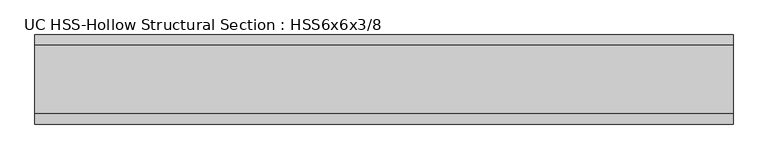
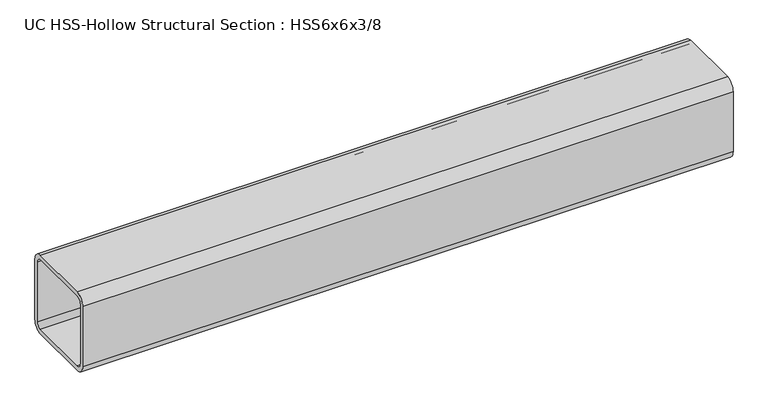
"""IFC4 building model written with IfcOpenShell, lengths in millimetres: beam geometry, UC HSS-Hollow Structural Section : HSS6x6x3/8."""

from ifc_helpers import new_model, si_unit, point, frame, frame_2d, origin, place, context, project, spatial, polyline, circle_curve, trimmed, segment, composite_curve, outline, extrude, source, transform, mapped, element, save


def uc_hss_hollow_structural_section_hss6x6x3_8_4a76fc14(model_context):
    return source(origin(), model_context, "Body", "SweptSolid", [
        extrude(outline(composite_curve([segment(trimmed(circle_curve(frame_2d((-58.4708, 58.4708)), 17.7292), [point((-76.2, 58.4708))], [point((-58.4708, 76.2))], False, "CARTESIAN"), True, "CONTINUOUS"), segment(polyline([(-58.4708, 76.2), (58.4708, 76.2)]), True, "CONTINUOUS"), segment(trimmed(circle_curve(frame_2d((58.4708, 58.4708)), 17.7292), [point((58.4708, 76.2))], [point((76.2, 58.4708))], False, "CARTESIAN"), True, "CONTINUOUS"), segment(polyline([(76.2, 58.4708), (76.2, -58.4708)]), True, "CONTINUOUS"), segment(trimmed(circle_curve(frame_2d((58.4708, -58.4708)), 17.7292), [point((76.2, -58.4708))], [point((58.4708, -76.2))], False, "CARTESIAN"), True, "CONTINUOUS"), segment(polyline([(58.4708, -76.2), (-58.4708, -76.2)]), True, "CONTINUOUS"), segment(trimmed(circle_curve(frame_2d((-58.4708, -58.4708)), 17.7292), [point((-58.4708, -76.2))], [point((-76.2, -58.4708))], False, "CARTESIAN"), True, "CONTINUOUS"), segment(polyline([(-76.2, -58.4708), (-76.2, 58.4708)]), True, "CONTINUOUS")], self_intersect=False), holes=[composite_curve([segment(polyline([(58.4708, 67.3354), (-58.4708, 67.3354)]), True, "CONTINUOUS"), segment(trimmed(circle_curve(frame_2d((-58.4708, 58.4708)), 8.8646), [point((-58.4708, 67.3354))], [point((-67.3354, 58.4708))], True, "CARTESIAN"), True, "CONTINUOUS"), segment(polyline([(-67.3354, 58.4708), (-67.3354, -58.4708)]), True, "CONTINUOUS"), segment(trimmed(circle_curve(frame_2d((-58.4708, -58.4708)), 8.8646), [point((-67.3354, -58.4708))], [point((-58.4708, -67.3354))], True, "CARTESIAN"), True, "CONTINUOUS"), segment(polyline([(-58.4708, -67.3354), (58.4708, -67.3354)]), True, "CONTINUOUS"), segment(trimmed(circle_curve(frame_2d((58.4708, -58.4708)), 8.8646), [point((58.4708, -67.3354))], [point((67.3354, -58.4708))], True, "CARTESIAN"), True, "CONTINUOUS"), segment(polyline([(67.3354, -58.4708), (67.3354, 58.4708)]), True, "CONTINUOUS"), segment(trimmed(circle_curve(frame_2d((58.4708, 58.4708)), 8.8646), [point((67.3354, 58.4708))], [point((58.4708, 67.3354))], True, "CARTESIAN"), True, "CONTINUOUS")], self_intersect=False)]), frame((-622.3, 0.0, 0.0), z_axis=(1.0, 0.0, 0.0), x_axis=(0.0, 1.0, 0.0)), (0.0, 0.0, 1.0), 1193.8),
    ])


if __name__ == "__main__":
    model = new_model("IFC4")
    model_context = context("Model", 3, world=origin())
    ifc_project = project(units=[si_unit("LENGTHUNIT", "METRE", prefix="MILLI")], contexts=[model_context])
    site = spatial("IfcSite", under=ifc_project)
    building = spatial("IfcBuilding", under=site)
    placement = place(None, origin())
    uc_hss_hollow_structural_section_hss6x6x3_8_shape = uc_hss_hollow_structural_section_hss6x6x3_8_4a76fc14(model_context)
    element("IfcBeam", 1, ObjectType="UC HSS-Hollow Structural Section : HSS6x6x3/8", at=placement, inside=building, context=model_context, shape_type="MappedRepresentation", body=[
        mapped(uc_hss_hollow_structural_section_hss6x6x3_8_shape, transform((0.0, 0.0, 0.0), x_axis=(1.0, 0.0, 0.0), y_axis=(0.0, 1.0, 0.0), z_axis=(0.0, 0.0, 1.0))),
    ])
    save(model, "model.ifc")
